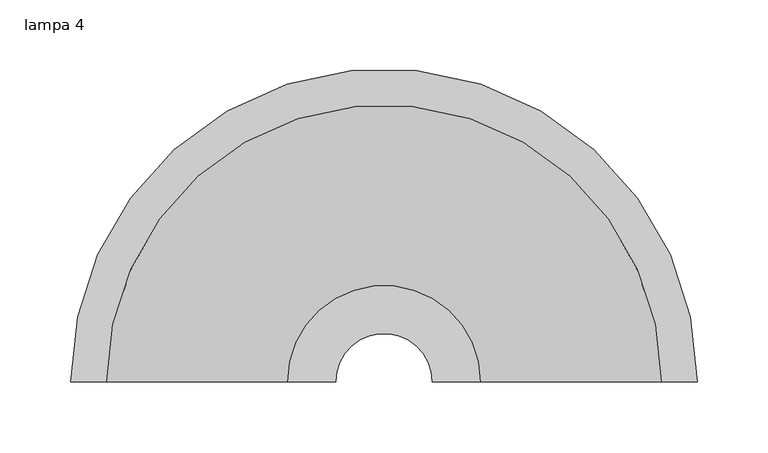
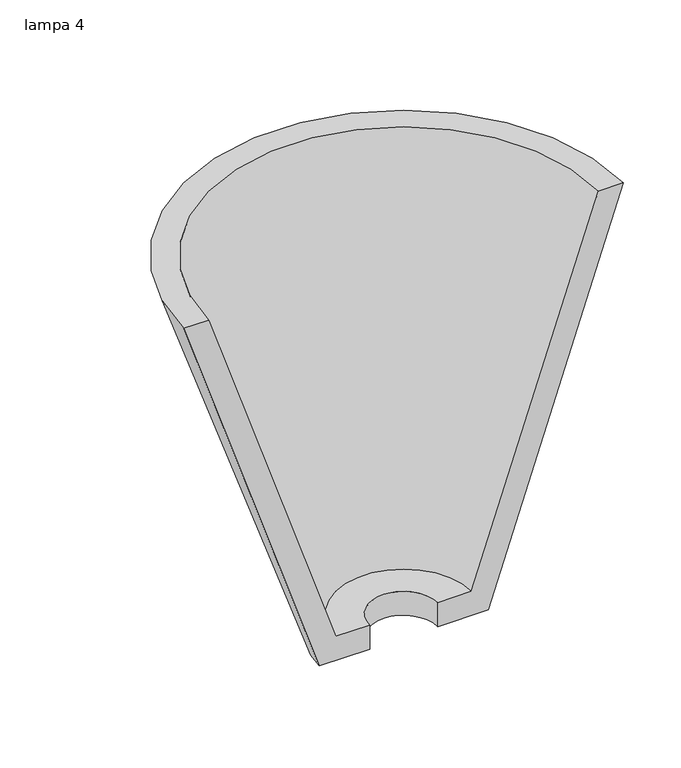
"""IFC4 building model written with IfcOpenShell, lengths in millimetres: light fixture geometry, lampa 4."""

from ifc_helpers import new_model, si_unit, frame, origin, place, context, project, spatial, polyline, circle_curve, source, transform, mapped, element, save
from ifc_brep_helpers import plane_surface, revolved_surface, advanced_brep


def lampa_4_c1891cd9(model_context):
    return source(origin(), model_context, "Body", "AdvancedBrep", [
        advanced_brep(
        [(-221.2056669, 50.0, 2103.2), (-85.0253975, 50.0, 1696.8), (-34.2253975, 50.0, 1696.8), (-34.2253975, 50.0, 1722.2), (-68.1366644, 50.0, 1722.2), (-195.8056669, 50.0, 2103.2), (221.2056669, 50.0, 2103.2), (195.8056669, 50.0, 2103.2), (68.1366644, 50.0, 1722.2), (34.2253975, 50.0, 1722.2), (34.2253975, 50.0, 1696.8), (85.0253975, 50.0, 1696.8)],
        [
            (0, 1),
            (1, 2),
            (2, 3),
            (3, 4),
            (4, 5),
            (5, 0),
            (6, 7),
            (7, 8),
            (8, 9),
            (9, 10),
            (10, 11),
            (11, 6),
            (11, 1, circle_curve(frame((0.0, 50.0, 1696.8), z_axis=(0.0, 0.0, 1.0), x_axis=(-1.0, 0.0, 0.0)), 85.0253975)),
            (0, 6, circle_curve(frame((0.0, 50.0, 2103.2), z_axis=(0.0, 0.0, -1.0), x_axis=(-1.0, 0.0, 0.0)), 221.2056669)),
            (10, 2, circle_curve(frame((0.0, 50.0, 1696.8), z_axis=(0.0, 0.0, 1.0), x_axis=(-1.0, 0.0, 0.0)), 34.2253975)),
            (9, 3, circle_curve(frame((0.0, 50.0, 1722.2), z_axis=(0.0, 0.0, 1.0), x_axis=(-1.0, 0.0, 0.0)), 34.2253975)),
            (8, 4, circle_curve(frame((0.0, 50.0, 1722.2), z_axis=(0.0, 0.0, 1.0), x_axis=(-1.0, 0.0, 0.0)), 68.1366644)),
            (7, 5, circle_curve(frame((0.0, 50.0, 2103.2), z_axis=(0.0, 0.0, 1.0), x_axis=(-1.0, 0.0, 0.0)), 195.8056669)),
        ],
        [
            plane_surface(frame((0.0, 50.0, 1936.774367), z_axis=(0.0, -1.0, 0.0), x_axis=(-1.0, 0.0, 0.0))),
            plane_surface(frame((0.0, 50.0, 1936.774367), z_axis=(0.0, -1.0, 0.0), x_axis=(1.0, 0.0, 0.0))),
            revolved_surface(polyline([(-221.2056669, 50.0, 2103.2), (-85.0253975, 50.0, 1696.8)]), (0.0, 50.0, 1936.774367), (0.0, 0.0, -1.0)),
            plane_surface(frame((0.0, 50.0, 1696.8), z_axis=(0.0, 0.0, -1.0), x_axis=(-1.0, 0.0, 0.0))),
            revolved_surface(polyline([(-34.2253975, 50.0, 1696.8), (-34.2253975, 50.0, 1722.2)]), (0.0, 50.0, 1936.774367), (0.0, 0.0, -1.0)),
            plane_surface(frame((0.0, 50.0, 1722.2), z_axis=(0.0, 0.0, 1.0), x_axis=(-1.0, 0.0, 0.0))),
            revolved_surface(polyline([(-68.1366644, 50.0, 1722.2), (-195.8056669, 50.0, 2103.2)]), (0.0, 50.0, 1936.774367), (0.0, 0.0, -1.0)),
            plane_surface(frame((0.0, 50.0, 2103.2), z_axis=(0.0, 0.0, 1.0), x_axis=(-1.0, 0.0, 0.0))),
        ],
        [
            (0, [[1, 2, 3, 4, 5, 6]]),
            (1, [[7, 8, 9, 10, 11, 12]]),
            (2, [[13, -1, 14, -12]]),
            (3, [[15, -2, -13, -11]]),
            (4, [[16, -3, -15, -10]]),
            (5, [[17, -4, -16, -9]]),
            (6, [[18, -5, -17, -8]]),
            (7, [[-14, -6, -18, -7]]),
        ],
    ),
    ])


if __name__ == "__main__":
    model = new_model("IFC4")
    model_context = context("Model", 3, world=origin())
    ifc_project = project(units=[si_unit("LENGTHUNIT", "METRE", prefix="MILLI")], contexts=[model_context])
    site = spatial("IfcSite", under=ifc_project)
    building = spatial("IfcBuilding", under=site)
    placement = place(None, origin())
    lampa_4_shape = lampa_4_c1891cd9(model_context)
    element("IfcLightFixture", 1, ObjectType="lampa 4", at=placement, inside=building, context=model_context, shape_type="MappedRepresentation", body=[
        mapped(lampa_4_shape, transform((0.0, 0.0, 0.0), x_axis=(1.0, 0.0, 0.0), y_axis=(0.0, 1.0, 0.0), z_axis=(0.0, 0.0, 1.0))),
    ])
    save(model, "model.ifc")
